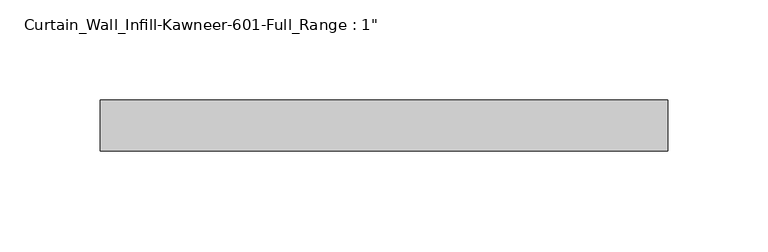
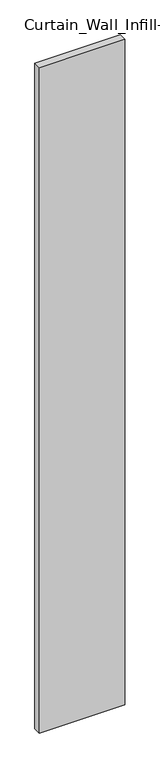
"""IFC4 building model written with IfcOpenShell, lengths in millimetres: plate geometry."""

from ifc_helpers import new_model, si_unit, origin, origin_with_axes, place, context, project, spatial, polyline, outline, extrude, source, transform, mapped, element, save


def plate_5cc5e6f3(model_context):
    return source(origin(), model_context, "Body", "SweptSolid", [
        extrude(outline(polyline([(-141.4043106, 12.7), (141.4043106, 12.7), (141.4043106, -12.7), (-141.4043106, -12.7), (-141.4043106, 12.7)])), origin_with_axes(), (0.0, 0.0, 1.0), 2330.45),
    ])


if __name__ == "__main__":
    model = new_model("IFC4")
    model_context = context("Model", 3, world=origin())
    ifc_project = project(units=[si_unit("LENGTHUNIT", "METRE", prefix="MILLI")], contexts=[model_context])
    site = spatial("IfcSite", under=ifc_project)
    building = spatial("IfcBuilding", under=site)
    placement = place(None, origin())
    plate_shape = plate_5cc5e6f3(model_context)
    element("IfcPlate", 1, ObjectType="Curtain_Wall_Infill-Kawneer-601-Full_Range : 1\"", at=placement, inside=building, context=model_context, shape_type="MappedRepresentation", body=[
        mapped(plate_shape, transform((0.0, 0.0, 0.0), x_axis=(1.0, 0.0, 0.0), y_axis=(0.0, 1.0, 0.0), z_axis=(0.0, 0.0, 1.0))),
    ])
    save(model, "model.ifc")
